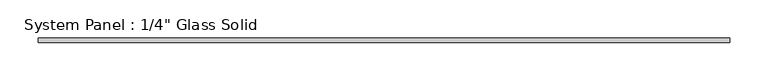
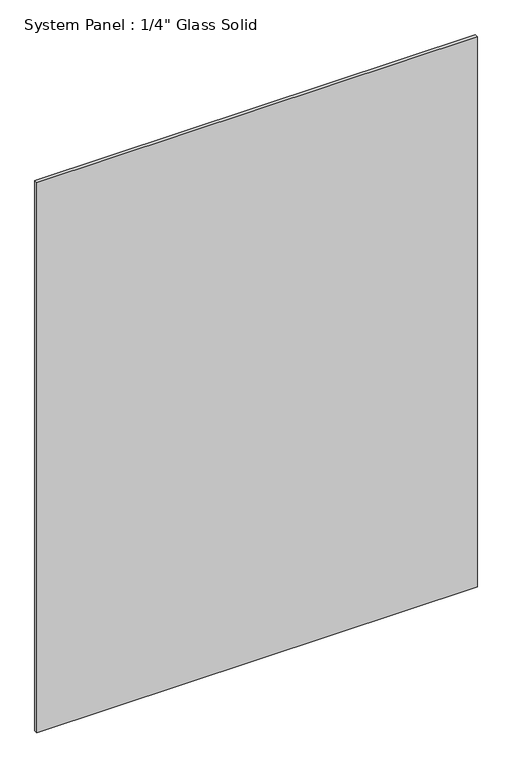
"""IFC4 building model written with IfcOpenShell, lengths in millimetres: plate geometry."""

from ifc_helpers import new_model, si_unit, origin, origin_with_axes, place, context, project, spatial, polyline, outline, extrude, source, transform, mapped, element, save


def plate_171d830a(model_context):
    return source(origin(), model_context, "Body", "SweptSolid", [
        extrude(outline(polyline([(454.6055865, -3.175), (-454.6055865, -3.175), (-454.6055865, 3.175), (454.6055865, 3.175), (454.6055865, -3.175)])), origin_with_axes(), (0.0, 0.0, 1.0), 1200.1517704),
    ])


if __name__ == "__main__":
    model = new_model("IFC4")
    model_context = context("Model", 3, world=origin())
    ifc_project = project(units=[si_unit("LENGTHUNIT", "METRE", prefix="MILLI")], contexts=[model_context])
    site = spatial("IfcSite", under=ifc_project)
    building = spatial("IfcBuilding", under=site)
    placement = place(None, origin())
    plate_shape = plate_171d830a(model_context)
    element("IfcPlate", 1, ObjectType="System Panel : 1/4\" Glass Solid", at=placement, inside=building, context=model_context, shape_type="MappedRepresentation", body=[
        mapped(plate_shape, transform((0.0, 0.0, 0.0), x_axis=(1.0, 0.0, 0.0), y_axis=(0.0, 1.0, 0.0), z_axis=(0.0, 0.0, 1.0))),
    ])
    save(model, "model.ifc")
